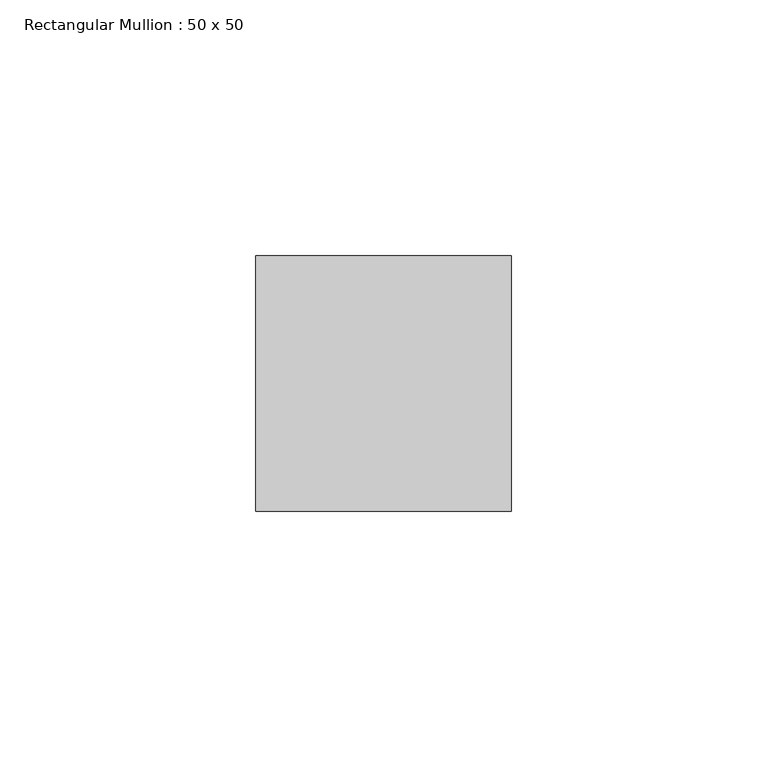
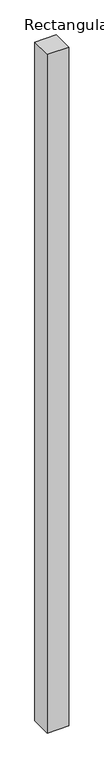
"""IFC4 building model written with IfcOpenShell, lengths in millimetres: member geometry, Rectangular Mullion : 50 x 50."""

from ifc_helpers import new_model, si_unit, frame, origin, place, context, project, spatial, polyline, outline, extrude, source, transform, mapped, element, save


def rectangular_mullion_50_x_50_90b741da(model_context):
    return source(origin(), model_context, "Body", "SweptSolid", [
        extrude(outline(polyline([(25.0, 25.0), (25.0, -25.0), (-25.0, -25.0), (-25.0, 25.0), (25.0, 25.0)])), frame((0.0, 0.0, -1673.1004351), z_axis=(0.0, 0.0, 1.0), x_axis=(1.0, 0.0, 0.0)), (0.0, 0.0, 1.0), 1673.1004351),
    ])


if __name__ == "__main__":
    model = new_model("IFC4")
    model_context = context("Model", 3, world=origin())
    ifc_project = project(units=[si_unit("LENGTHUNIT", "METRE", prefix="MILLI")], contexts=[model_context])
    site = spatial("IfcSite", under=ifc_project)
    building = spatial("IfcBuilding", under=site)
    placement = place(None, origin())
    rectangular_mullion_50_x_50_shape = rectangular_mullion_50_x_50_90b741da(model_context)
    element("IfcMember", 1, ObjectType="Rectangular Mullion : 50 x 50", at=placement, inside=building, context=model_context, shape_type="MappedRepresentation", body=[
        mapped(rectangular_mullion_50_x_50_shape, transform((0.0, 0.0, 0.0), x_axis=(1.0, 0.0, 0.0), y_axis=(0.0, 1.0, 0.0), z_axis=(0.0, 0.0, 1.0))),
    ])
    save(model, "model.ifc")
